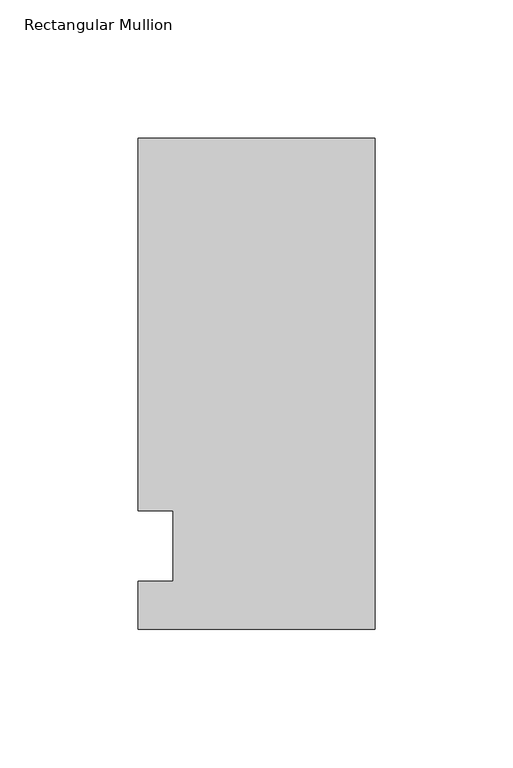
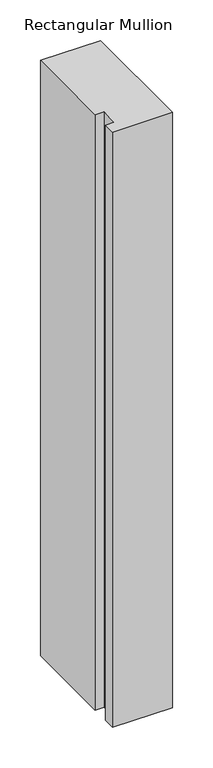
"""IFC4 building model written with IfcOpenShell, lengths in millimetres: member geometry, Rectangular Mullion."""

from ifc_helpers import new_model, si_unit, frame, origin, place, context, project, spatial, polyline, outline, extrude, source, transform, mapped, element, save


def rectangular_mullion_68d72fef(model_context):
    return source(origin(), model_context, "Body", "SweptSolid", [
        extrude(outline(polyline([(-85.725, 147.6375), (0.0, 147.6375), (0.0, -30.1625), (-85.725, -30.1625), (-85.725, -12.7), (-73.0232296, -12.7), (-73.0232296, 12.7), (-85.725, 12.7), (-85.725, 147.6375)])), frame((0.0, 0.0, -896.5094027), z_axis=(0.0, 0.0, 1.0), x_axis=(1.0, 0.0, 0.0)), (0.0, 0.0, 1.0), 896.5094027),
    ])


if __name__ == "__main__":
    model = new_model("IFC4")
    model_context = context("Model", 3, world=origin())
    ifc_project = project(units=[si_unit("LENGTHUNIT", "METRE", prefix="MILLI")], contexts=[model_context])
    site = spatial("IfcSite", under=ifc_project)
    building = spatial("IfcBuilding", under=site)
    placement = place(None, origin())
    rectangular_mullion_shape = rectangular_mullion_68d72fef(model_context)
    element("IfcMember", 1, ObjectType="Rectangular Mullion", at=placement, inside=building, context=model_context, shape_type="MappedRepresentation", body=[
        mapped(rectangular_mullion_shape, transform((0.0, 0.0, 0.0), x_axis=(1.0, 0.0, 0.0), y_axis=(0.0, 1.0, 0.0), z_axis=(0.0, 0.0, 1.0))),
    ])
    save(model, "model.ifc")
